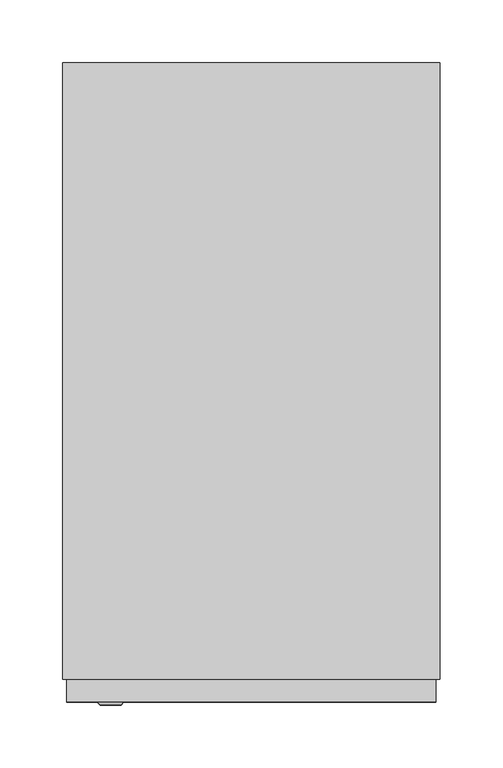
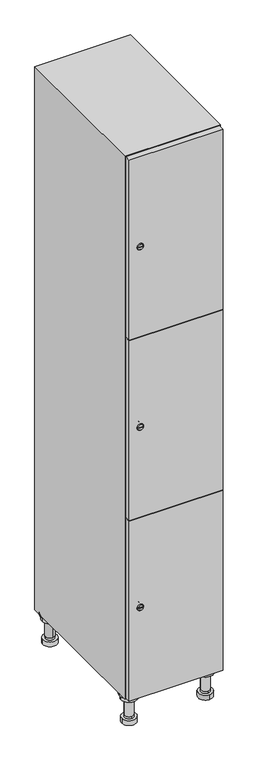
"""IFC4 building model written with IfcOpenShell, lengths in millimetres: furniture geometry."""

from ifc_helpers import new_model, si_unit, point, frame, frame_2d, origin, place, context, project, spatial, polyline, circle_curve, trimmed, segment, composite_curve, outline, extrude, faceted_brep, source, transform, mapped, element, save
from ifc_brep_helpers import plane_surface, cylinder_surface, revolved_surface, advanced_brep


def furniture_b3fa0caa(model_context):
    return source(origin(), model_context, "Body", "SolidModel", [
        advanced_brep(
        [(70.0, -201.0, 22.0), (70.0, -201.5, 16.0), (70.0, -228.5, 16.0), (70.0, -229.0, 22.0), (56.0, -215.0, 22.0), (84.0, -215.0, 22.0), (70.0, -192.5, 16.0), (70.0, -237.5, 16.0), (70.0, -192.5, 0.0), (70.0, -237.5, 0.0), (84.0, -215.0, 78.0), (56.0, -215.0, 78.0), (95.0, -215.0, 78.0), (45.0, -215.0, 78.0), (100.0, -215.0, 94.0), (40.0, -215.0, 94.0), (45.0, -215.0, 94.0), (95.0, -215.0, 94.0), (100.0, -215.0, 100.0), (40.0, -215.0, 100.0)],
        [
            (0, 1),
            (1, 2, circle_curve(frame((70.0, -215.0, 16.0), z_axis=(0.0, 0.0, 1.0), x_axis=(0.0, -1.0, 0.0)), 13.5)),
            (2, 3),
            (3, 4, circle_curve(frame((70.0, -215.0, 22.0), z_axis=(0.0, 0.0, -1.0), x_axis=(0.0, -1.0, 0.0)), 14.0)),
            (4, 0, circle_curve(frame((70.0, -215.0, 22.0), z_axis=(0.0, 0.0, -1.0), x_axis=(0.0, -1.0, 0.0)), 14.0)),
            (0, 5, circle_curve(frame((70.0, -215.0, 22.0), z_axis=(0.0, 0.0, -1.0), x_axis=(0.0, 1.0, 0.0)), 14.0)),
            (5, 3, circle_curve(frame((70.0, -215.0, 22.0), z_axis=(0.0, 0.0, -1.0), x_axis=(0.0, 1.0, 0.0)), 14.0)),
            (2, 1, circle_curve(frame((70.0, -215.0, 16.0), z_axis=(0.0, 0.0, 1.0), x_axis=(0.0, 1.0, 0.0)), 13.5)),
            (6, 7, circle_curve(frame((70.0, -215.0, 16.0), z_axis=(0.0, 0.0, 1.0), x_axis=(0.0, -1.0, 0.0)), 22.5)),
            (7, 6, circle_curve(frame((70.0, -215.0, 16.0), z_axis=(0.0, 0.0, 1.0), x_axis=(0.0, -1.0, 0.0)), 22.5)),
            (8, 9, circle_curve(frame((70.0, -215.0, 0.0), z_axis=(0.0, 0.0, -1.0), x_axis=(0.0, -1.0, 0.0)), 22.5)),
            (9, 8, circle_curve(frame((70.0, -215.0, 0.0), z_axis=(0.0, 0.0, -1.0), x_axis=(0.0, -1.0, 0.0)), 22.5)),
            (6, 8),
            (9, 7),
            (5, 10),
            (10, 11, circle_curve(frame((70.0, -215.0, 78.0), z_axis=(0.0, 0.0, -1.0), x_axis=(-1.0, 0.0, 0.0)), 14.0)),
            (11, 4),
            (11, 10, circle_curve(frame((70.0, -215.0, 78.0), z_axis=(0.0, 0.0, -1.0), x_axis=(-1.0, 0.0, 0.0)), 14.0)),
            (12, 13, circle_curve(frame((70.0, -215.0, 78.0), z_axis=(0.0, 0.0, -1.0), x_axis=(-1.0, 0.0, 0.0)), 25.0)),
            (13, 12, circle_curve(frame((70.0, -215.0, 78.0), z_axis=(0.0, 0.0, -1.0), x_axis=(-1.0, 0.0, 0.0)), 25.0)),
            (14, 15, circle_curve(frame((70.0, -215.0, 94.0), z_axis=(0.0, 0.0, -1.0), x_axis=(-1.0, 0.0, 0.0)), 30.0)),
            (15, 14, circle_curve(frame((70.0, -215.0, 94.0), z_axis=(0.0, 0.0, -1.0), x_axis=(-1.0, 0.0, 0.0)), 30.0)),
            (16, 17, circle_curve(frame((70.0, -215.0, 94.0), z_axis=(0.0, 0.0, 1.0), x_axis=(-1.0, 0.0, 0.0)), 25.0)),
            (17, 16, circle_curve(frame((70.0, -215.0, 94.0), z_axis=(0.0, 0.0, 1.0), x_axis=(-1.0, 0.0, 0.0)), 25.0)),
            (18, 19, circle_curve(frame((70.0, -215.0, 100.0), z_axis=(0.0, 0.0, 1.0), x_axis=(-1.0, 0.0, 0.0)), 30.0)),
            (19, 18, circle_curve(frame((70.0, -215.0, 100.0), z_axis=(0.0, 0.0, 1.0), x_axis=(-1.0, 0.0, 0.0)), 30.0)),
            (14, 18),
            (19, 15),
            (12, 17),
            (16, 13),
        ],
        [
            revolved_surface(polyline([(70.0, -201.5, 16.0), (70.0, -201.0, 22.0)]), (70.0, -215.0, -146.0), (0.0, 0.0, 1.0)),
            plane_surface(frame((70.0, 0.0, 16.0), z_axis=(0.0, 0.0, 1.0), x_axis=(0.0, -1.0, 0.0))),
            plane_surface(frame((70.0, 0.0, 0.0), z_axis=(0.0, 0.0, -1.0), x_axis=(0.0, -1.0, 0.0))),
            cylinder_surface(frame((70.0, -215.0, 16.0), z_axis=(0.0, 0.0, 1.0), x_axis=(0.0, -1.0, 0.0)), 22.5),
            cylinder_surface(frame((70.0, -215.0, 22.0), z_axis=(0.0, 0.0, -1.0), x_axis=(-1.0, 0.0, 0.0)), 14.0),
            plane_surface(frame((70.0, 0.0, 78.0), z_axis=(0.0, 0.0, -1.0), x_axis=(0.0, -1.0, 0.0))),
            plane_surface(frame((70.0, 0.0, 94.0), z_axis=(0.0, 0.0, -1.0), x_axis=(0.0, -1.0, 0.0))),
            plane_surface(frame((70.0, 0.0, 100.0), z_axis=(0.0, 0.0, 1.0), x_axis=(0.0, -1.0, 0.0))),
            cylinder_surface(frame((70.0, -215.0, 94.0), z_axis=(0.0, 0.0, -1.0), x_axis=(-1.0, 0.0, 0.0)), 30.0),
            cylinder_surface(frame((70.0, -215.0, 78.0), z_axis=(0.0, 0.0, -1.0), x_axis=(-1.0, 0.0, 0.0)), 25.0),
        ],
        [
            (0, [[1, 2, 3, 4, 5]]),
            (0, [[-1, 6, 7, -3, 8]]),
            (1, [[9, 10], [-2, -8]]),
            (2, [[11, 12]]),
            (3, [[-9, 13, -12, 14]]),
            (3, [[-10, -14, -11, -13]]),
            (4, [[15, 16, 17, -4, -7]]),
            (4, [[-15, -6, -5, -17, 18]]),
            (5, [[19, 20], [-16, -18]]),
            (6, [[21, 22], [23, 24]]),
            (7, [[25, 26]]),
            (8, [[-21, 27, -26, 28]]),
            (8, [[-22, -28, -25, -27]]),
            (9, [[-19, 29, -23, 30]]),
            (9, [[-20, -30, -24, -29]]),
        ],
    ),
        advanced_brep(
        [(-170.0, -201.0, 22.0), (-170.0, -201.5, 16.0), (-170.0, -228.5, 16.0), (-170.0, -229.0, 22.0), (-184.0, -215.0, 22.0), (-156.0, -215.0, 22.0), (-147.5, -215.0, 0.0), (-192.5, -215.0, 0.0), (-147.5, -215.0, 16.0), (-192.5, -215.0, 16.0), (-156.0, -215.0, 78.0), (-184.0, -215.0, 78.0), (-145.0, -215.0, 78.0), (-195.0, -215.0, 78.0), (-140.0, -215.0, 94.0), (-200.0, -215.0, 94.0), (-195.0, -215.0, 94.0), (-145.0, -215.0, 94.0), (-140.0, -215.0, 100.0), (-200.0, -215.0, 100.0)],
        [
            (0, 1),
            (1, 2, circle_curve(frame((-170.0, -215.0, 16.0), z_axis=(0.0, 0.0, 1.0), x_axis=(0.0, -1.0, 0.0)), 13.5)),
            (2, 3),
            (3, 4, circle_curve(frame((-170.0, -215.0, 22.0), z_axis=(0.0, 0.0, -1.0), x_axis=(0.0, -1.0, 0.0)), 14.0)),
            (4, 0, circle_curve(frame((-170.0, -215.0, 22.0), z_axis=(0.0, 0.0, -1.0), x_axis=(0.0, -1.0, 0.0)), 14.0)),
            (0, 5, circle_curve(frame((-170.0, -215.0, 22.0), z_axis=(0.0, 0.0, -1.0), x_axis=(0.0, 1.0, 0.0)), 14.0)),
            (5, 3, circle_curve(frame((-170.0, -215.0, 22.0), z_axis=(0.0, 0.0, -1.0), x_axis=(0.0, 1.0, 0.0)), 14.0)),
            (2, 1, circle_curve(frame((-170.0, -215.0, 16.0), z_axis=(0.0, 0.0, 1.0), x_axis=(0.0, 1.0, 0.0)), 13.5)),
            (6, 7, circle_curve(frame((-170.0, -215.0, 0.0), z_axis=(0.0, 0.0, -1.0), x_axis=(-1.0, 0.0, 0.0)), 22.5)),
            (7, 6, circle_curve(frame((-170.0, -215.0, 0.0), z_axis=(0.0, 0.0, -1.0), x_axis=(-1.0, 0.0, 0.0)), 22.5)),
            (8, 9, circle_curve(frame((-170.0, -215.0, 16.0), z_axis=(0.0, 0.0, 1.0), x_axis=(-1.0, 0.0, 0.0)), 22.5)),
            (9, 8, circle_curve(frame((-170.0, -215.0, 16.0), z_axis=(0.0, 0.0, 1.0), x_axis=(-1.0, 0.0, 0.0)), 22.5)),
            (6, 8),
            (9, 7),
            (5, 10),
            (10, 11, circle_curve(frame((-170.0, -215.0, 78.0), z_axis=(0.0, 0.0, -1.0), x_axis=(-1.0, 0.0, 0.0)), 14.0)),
            (11, 4),
            (11, 10, circle_curve(frame((-170.0, -215.0, 78.0), z_axis=(0.0, 0.0, -1.0), x_axis=(-1.0, 0.0, 0.0)), 14.0)),
            (12, 13, circle_curve(frame((-170.0, -215.0, 78.0), z_axis=(0.0, 0.0, -1.0), x_axis=(-1.0, 0.0, 0.0)), 25.0)),
            (13, 12, circle_curve(frame((-170.0, -215.0, 78.0), z_axis=(0.0, 0.0, -1.0), x_axis=(-1.0, 0.0, 0.0)), 25.0)),
            (14, 15, circle_curve(frame((-170.0, -215.0, 94.0), z_axis=(0.0, 0.0, -1.0), x_axis=(-1.0, 0.0, 0.0)), 30.0)),
            (15, 14, circle_curve(frame((-170.0, -215.0, 94.0), z_axis=(0.0, 0.0, -1.0), x_axis=(-1.0, 0.0, 0.0)), 30.0)),
            (16, 17, circle_curve(frame((-170.0, -215.0, 94.0), z_axis=(0.0, 0.0, 1.0), x_axis=(-1.0, 0.0, 0.0)), 25.0)),
            (17, 16, circle_curve(frame((-170.0, -215.0, 94.0), z_axis=(0.0, 0.0, 1.0), x_axis=(-1.0, 0.0, 0.0)), 25.0)),
            (18, 19, circle_curve(frame((-170.0, -215.0, 100.0), z_axis=(0.0, 0.0, 1.0), x_axis=(-1.0, 0.0, 0.0)), 30.0)),
            (19, 18, circle_curve(frame((-170.0, -215.0, 100.0), z_axis=(0.0, 0.0, 1.0), x_axis=(-1.0, 0.0, 0.0)), 30.0)),
            (14, 18),
            (19, 15),
            (12, 17),
            (16, 13),
        ],
        [
            revolved_surface(polyline([(-170.0, -201.5, 16.0), (-170.0, -201.0, 22.0)]), (-170.0, -215.0, -146.0), (0.0, 0.0, 1.0)),
            plane_surface(frame((-170.0, 0.0, 0.0), z_axis=(0.0, 0.0, -1.0), x_axis=(0.0, -1.0, 0.0))),
            plane_surface(frame((-170.0, 0.0, 16.0), z_axis=(0.0, 0.0, 1.0), x_axis=(0.0, -1.0, 0.0))),
            cylinder_surface(frame((-170.0, -215.0, 0.0), z_axis=(0.0, 0.0, -1.0), x_axis=(-1.0, 0.0, 0.0)), 22.5),
            cylinder_surface(frame((-170.0, -215.0, 22.0), z_axis=(0.0, 0.0, -1.0), x_axis=(-1.0, 0.0, 0.0)), 14.0),
            plane_surface(frame((-170.0, 0.0, 78.0), z_axis=(0.0, 0.0, -1.0), x_axis=(0.0, -1.0, 0.0))),
            plane_surface(frame((-170.0, 0.0, 94.0), z_axis=(0.0, 0.0, -1.0), x_axis=(0.0, -1.0, 0.0))),
            plane_surface(frame((-170.0, 0.0, 100.0), z_axis=(0.0, 0.0, 1.0), x_axis=(0.0, -1.0, 0.0))),
            cylinder_surface(frame((-170.0, -215.0, 94.0), z_axis=(0.0, 0.0, -1.0), x_axis=(-1.0, 0.0, 0.0)), 30.0),
            cylinder_surface(frame((-170.0, -215.0, 78.0), z_axis=(0.0, 0.0, -1.0), x_axis=(-1.0, 0.0, 0.0)), 25.0),
        ],
        [
            (0, [[1, 2, 3, 4, 5]]),
            (0, [[-1, 6, 7, -3, 8]]),
            (1, [[9, 10]]),
            (2, [[11, 12], [-2, -8]]),
            (3, [[-9, 13, -12, 14]]),
            (3, [[-10, -14, -11, -13]]),
            (4, [[15, 16, 17, -4, -7]]),
            (4, [[-15, -6, -5, -17, 18]]),
            (5, [[19, 20], [-16, -18]]),
            (6, [[21, 22], [23, 24]]),
            (7, [[25, 26]]),
            (8, [[-21, 27, -26, 28]]),
            (8, [[-22, -28, -25, -27]]),
            (9, [[-19, 29, -23, 30]]),
            (9, [[-20, -30, -24, -29]]),
        ],
    ),
        advanced_brep(
        [(83.5, 215.0, 16.0), (84.0, 215.0, 22.0), (56.0, 215.0, 22.0), (56.5, 215.0, 16.0), (92.5, 215.0, 0.0), (47.5, 215.0, 0.0), (92.5, 215.0, 16.0), (47.5, 215.0, 16.0), (84.0, 215.0, 78.0), (56.0, 215.0, 78.0), (95.0, 215.0, 78.0), (45.0, 215.0, 78.0), (100.0, 215.0, 94.0), (40.0, 215.0, 94.0), (45.0, 215.0, 94.0), (95.0, 215.0, 94.0), (100.0, 215.0, 100.0), (40.0, 215.0, 100.0)],
        [
            (0, 1),
            (1, 2, circle_curve(frame((70.0, 215.0, 22.0), z_axis=(0.0, 0.0, -1.0), x_axis=(-1.0, 0.0, 0.0)), 14.0)),
            (2, 3),
            (3, 0, circle_curve(frame((70.0, 215.0, 16.0), z_axis=(0.0, 0.0, 1.0), x_axis=(-1.0, 0.0, 0.0)), 13.5)),
            (0, 3, circle_curve(frame((70.0, 215.0, 16.0), z_axis=(0.0, 0.0, 1.0), x_axis=(1.0, 0.0, 0.0)), 13.5)),
            (2, 1, circle_curve(frame((70.0, 215.0, 22.0), z_axis=(0.0, 0.0, -1.0), x_axis=(1.0, 0.0, 0.0)), 14.0)),
            (4, 5, circle_curve(frame((70.0, 215.0, 0.0), z_axis=(0.0, 0.0, -1.0), x_axis=(-1.0, 0.0, 0.0)), 22.5)),
            (5, 4, circle_curve(frame((70.0, 215.0, 0.0), z_axis=(0.0, 0.0, -1.0), x_axis=(-1.0, 0.0, 0.0)), 22.5)),
            (6, 7, circle_curve(frame((70.0, 215.0, 16.0), z_axis=(0.0, 0.0, 1.0), x_axis=(-1.0, 0.0, 0.0)), 22.5)),
            (7, 6, circle_curve(frame((70.0, 215.0, 16.0), z_axis=(0.0, 0.0, 1.0), x_axis=(-1.0, 0.0, 0.0)), 22.5)),
            (4, 6),
            (7, 5),
            (1, 8),
            (8, 9, circle_curve(frame((70.0, 215.0, 78.0), z_axis=(0.0, 0.0, -1.0), x_axis=(-1.0, 0.0, 0.0)), 14.0)),
            (9, 2),
            (9, 8, circle_curve(frame((70.0, 215.0, 78.0), z_axis=(0.0, 0.0, -1.0), x_axis=(-1.0, 0.0, 0.0)), 14.0)),
            (10, 11, circle_curve(frame((70.0, 215.0, 78.0), z_axis=(0.0, 0.0, -1.0), x_axis=(-1.0, 0.0, 0.0)), 25.0)),
            (11, 10, circle_curve(frame((70.0, 215.0, 78.0), z_axis=(0.0, 0.0, -1.0), x_axis=(-1.0, 0.0, 0.0)), 25.0)),
            (12, 13, circle_curve(frame((70.0, 215.0, 94.0), z_axis=(0.0, 0.0, -1.0), x_axis=(-1.0, 0.0, 0.0)), 30.0)),
            (13, 12, circle_curve(frame((70.0, 215.0, 94.0), z_axis=(0.0, 0.0, -1.0), x_axis=(-1.0, 0.0, 0.0)), 30.0)),
            (14, 15, circle_curve(frame((70.0, 215.0, 94.0), z_axis=(0.0, 0.0, 1.0), x_axis=(-1.0, 0.0, 0.0)), 25.0)),
            (15, 14, circle_curve(frame((70.0, 215.0, 94.0), z_axis=(0.0, 0.0, 1.0), x_axis=(-1.0, 0.0, 0.0)), 25.0)),
            (16, 17, circle_curve(frame((70.0, 215.0, 100.0), z_axis=(0.0, 0.0, 1.0), x_axis=(-1.0, 0.0, 0.0)), 30.0)),
            (17, 16, circle_curve(frame((70.0, 215.0, 100.0), z_axis=(0.0, 0.0, 1.0), x_axis=(-1.0, 0.0, 0.0)), 30.0)),
            (12, 16),
            (17, 13),
            (10, 15),
            (14, 11),
        ],
        [
            revolved_surface(polyline([(83.5, 215.0, 16.0), (84.0, 215.0, 22.0)]), (70.0, 215.0, -146.0), (0.0, 0.0, 1.0)),
            plane_surface(frame((70.0, 0.0, 0.0), z_axis=(0.0, 0.0, -1.0), x_axis=(0.0, -1.0, 0.0))),
            plane_surface(frame((70.0, 0.0, 16.0), z_axis=(0.0, 0.0, 1.0), x_axis=(0.0, -1.0, 0.0))),
            cylinder_surface(frame((70.0, 215.0, 0.0), z_axis=(0.0, 0.0, -1.0), x_axis=(-1.0, 0.0, 0.0)), 22.5),
            cylinder_surface(frame((70.0, 215.0, 22.0), z_axis=(0.0, 0.0, -1.0), x_axis=(-1.0, 0.0, 0.0)), 14.0),
            plane_surface(frame((70.0, 0.0, 78.0), z_axis=(0.0, 0.0, -1.0), x_axis=(0.0, -1.0, 0.0))),
            plane_surface(frame((70.0, 0.0, 94.0), z_axis=(0.0, 0.0, -1.0), x_axis=(0.0, -1.0, 0.0))),
            plane_surface(frame((70.0, 0.0, 100.0), z_axis=(0.0, 0.0, 1.0), x_axis=(0.0, -1.0, 0.0))),
            cylinder_surface(frame((70.0, 215.0, 94.0), z_axis=(0.0, 0.0, -1.0), x_axis=(-1.0, 0.0, 0.0)), 30.0),
            cylinder_surface(frame((70.0, 215.0, 78.0), z_axis=(0.0, 0.0, -1.0), x_axis=(-1.0, 0.0, 0.0)), 25.0),
        ],
        [
            (0, [[1, 2, 3, 4]]),
            (0, [[-1, 5, -3, 6]]),
            (1, [[7, 8]]),
            (2, [[9, 10], [-4, -5]]),
            (3, [[-7, 11, -10, 12]]),
            (3, [[-8, -12, -9, -11]]),
            (4, [[13, 14, 15, -2]]),
            (4, [[-13, -6, -15, 16]]),
            (5, [[17, 18], [-14, -16]]),
            (6, [[19, 20], [21, 22]]),
            (7, [[23, 24]]),
            (8, [[-19, 25, -24, 26]]),
            (8, [[-20, -26, -23, -25]]),
            (9, [[-17, 27, -21, 28]]),
            (9, [[-18, -28, -22, -27]]),
        ],
    ),
        advanced_brep(
        [(-156.5, 215.0, 16.0), (-156.0, 215.0, 22.0), (-170.0, 201.0, 22.0), (-184.0, 215.0, 22.0), (-183.5, 215.0, 16.0), (-170.0, 229.0, 22.0), (-147.5, 215.0, 0.0), (-192.5, 215.0, 0.0), (-147.5, 215.0, 16.0), (-192.5, 215.0, 16.0), (-170.0, 229.0, 78.0), (-170.0, 201.0, 78.0), (-145.0, 215.0, 78.0), (-195.0, 215.0, 78.0), (-140.0, 215.0, 94.0), (-200.0, 215.0, 94.0), (-195.0, 215.0, 94.0), (-145.0, 215.0, 94.0), (-140.0, 215.0, 100.0), (-200.0, 215.0, 100.0)],
        [
            (0, 1),
            (1, 2, circle_curve(frame((-170.0, 215.0, 22.0), z_axis=(0.0, 0.0, -1.0), x_axis=(-1.0, 0.0, 0.0)), 14.0)),
            (2, 3, circle_curve(frame((-170.0, 215.0, 22.0), z_axis=(0.0, 0.0, -1.0), x_axis=(-1.0, 0.0, 0.0)), 14.0)),
            (3, 4),
            (4, 0, circle_curve(frame((-170.0, 215.0, 16.0), z_axis=(0.0, 0.0, 1.0), x_axis=(-1.0, 0.0, 0.0)), 13.5)),
            (0, 4, circle_curve(frame((-170.0, 215.0, 16.0), z_axis=(0.0, 0.0, 1.0), x_axis=(1.0, 0.0, 0.0)), 13.5)),
            (3, 5, circle_curve(frame((-170.0, 215.0, 22.0), z_axis=(0.0, 0.0, -1.0), x_axis=(1.0, 0.0, 0.0)), 14.0)),
            (5, 1, circle_curve(frame((-170.0, 215.0, 22.0), z_axis=(0.0, 0.0, -1.0), x_axis=(1.0, 0.0, 0.0)), 14.0)),
            (6, 7, circle_curve(frame((-170.0, 215.0, 0.0), z_axis=(0.0, 0.0, -1.0), x_axis=(-1.0, 0.0, 0.0)), 22.5)),
            (7, 6, circle_curve(frame((-170.0, 215.0, 0.0), z_axis=(0.0, 0.0, -1.0), x_axis=(-1.0, 0.0, 0.0)), 22.5)),
            (8, 9, circle_curve(frame((-170.0, 215.0, 16.0), z_axis=(0.0, 0.0, 1.0), x_axis=(-1.0, 0.0, 0.0)), 22.5)),
            (9, 8, circle_curve(frame((-170.0, 215.0, 16.0), z_axis=(0.0, 0.0, 1.0), x_axis=(-1.0, 0.0, 0.0)), 22.5)),
            (6, 8),
            (9, 7),
            (10, 5),
            (2, 11),
            (11, 10, circle_curve(frame((-170.0, 215.0, 78.0), z_axis=(0.0, 0.0, -1.0), x_axis=(0.0, -1.0, 0.0)), 14.0)),
            (10, 11, circle_curve(frame((-170.0, 215.0, 78.0), z_axis=(0.0, 0.0, -1.0), x_axis=(0.0, -1.0, 0.0)), 14.0)),
            (12, 13, circle_curve(frame((-170.0, 215.0, 78.0), z_axis=(0.0, 0.0, -1.0), x_axis=(-1.0, 0.0, 0.0)), 25.0)),
            (13, 12, circle_curve(frame((-170.0, 215.0, 78.0), z_axis=(0.0, 0.0, -1.0), x_axis=(-1.0, 0.0, 0.0)), 25.0)),
            (14, 15, circle_curve(frame((-170.0, 215.0, 94.0), z_axis=(0.0, 0.0, -1.0), x_axis=(-1.0, 0.0, 0.0)), 30.0)),
            (15, 14, circle_curve(frame((-170.0, 215.0, 94.0), z_axis=(0.0, 0.0, -1.0), x_axis=(-1.0, 0.0, 0.0)), 30.0)),
            (16, 17, circle_curve(frame((-170.0, 215.0, 94.0), z_axis=(0.0, 0.0, 1.0), x_axis=(-1.0, 0.0, 0.0)), 25.0)),
            (17, 16, circle_curve(frame((-170.0, 215.0, 94.0), z_axis=(0.0, 0.0, 1.0), x_axis=(-1.0, 0.0, 0.0)), 25.0)),
            (18, 19, circle_curve(frame((-170.0, 215.0, 100.0), z_axis=(0.0, 0.0, 1.0), x_axis=(-1.0, 0.0, 0.0)), 30.0)),
            (19, 18, circle_curve(frame((-170.0, 215.0, 100.0), z_axis=(0.0, 0.0, 1.0), x_axis=(-1.0, 0.0, 0.0)), 30.0)),
            (14, 18),
            (19, 15),
            (12, 17),
            (16, 13),
        ],
        [
            revolved_surface(polyline([(-156.5, 215.0, 16.0), (-156.0, 215.0, 22.0)]), (-170.0, 215.0, -146.0), (0.0, 0.0, 1.0)),
            plane_surface(frame((-170.0, 0.0, 0.0), z_axis=(0.0, 0.0, -1.0), x_axis=(0.0, -1.0, 0.0))),
            plane_surface(frame((-170.0, 0.0, 16.0), z_axis=(0.0, 0.0, 1.0), x_axis=(0.0, -1.0, 0.0))),
            cylinder_surface(frame((-170.0, 215.0, 0.0), z_axis=(0.0, 0.0, -1.0), x_axis=(-1.0, 0.0, 0.0)), 22.5),
            cylinder_surface(frame((-170.0, 215.0, 78.0), z_axis=(0.0, 0.0, 1.0), x_axis=(0.0, -1.0, 0.0)), 14.0),
            plane_surface(frame((-170.0, 0.0, 78.0), z_axis=(0.0, 0.0, -1.0), x_axis=(0.0, -1.0, 0.0))),
            plane_surface(frame((-170.0, 0.0, 94.0), z_axis=(0.0, 0.0, -1.0), x_axis=(0.0, -1.0, 0.0))),
            plane_surface(frame((-170.0, 0.0, 100.0), z_axis=(0.0, 0.0, 1.0), x_axis=(0.0, -1.0, 0.0))),
            cylinder_surface(frame((-170.0, 215.0, 94.0), z_axis=(0.0, 0.0, -1.0), x_axis=(-1.0, 0.0, 0.0)), 30.0),
            cylinder_surface(frame((-170.0, 215.0, 78.0), z_axis=(0.0, 0.0, -1.0), x_axis=(-1.0, 0.0, 0.0)), 25.0),
        ],
        [
            (0, [[1, 2, 3, 4, 5]]),
            (0, [[-1, 6, -4, 7, 8]]),
            (1, [[9, 10]]),
            (2, [[11, 12], [-5, -6]]),
            (3, [[-9, 13, -12, 14]]),
            (3, [[-10, -14, -11, -13]]),
            (4, [[15, -7, -3, 16, 17]]),
            (4, [[-15, 18, -16, -2, -8]]),
            (5, [[19, 20], [-17, -18]]),
            (6, [[21, 22], [23, 24]]),
            (7, [[25, 26]]),
            (8, [[-21, 27, -26, 28]]),
            (8, [[-22, -28, -25, -27]]),
            (9, [[-19, 29, -23, 30]]),
            (9, [[-20, -30, -24, -29]]),
        ],
    ),
        extrude(outline(composite_curve([segment(trimmed(circle_curve(frame_2d((402.0, -188.7989466)), 7.0), [point((409.0, -188.7989466))], [point((395.0, -188.7989466))], False, "CARTESIAN"), True, "CONTINUOUS"), segment(polyline([(395.0, -188.7989466), (395.0, -160.7989466)]), True, "CONTINUOUS"), segment(trimmed(circle_curve(frame_2d((402.0, -160.7989466)), 7.0), [point((395.0, -160.7989466))], [point((409.0, -160.7989466))], False, "CARTESIAN"), True, "CONTINUOUS"), segment(polyline([(409.0, -160.7989466), (409.0, -188.7989466)]), True, "CONTINUOUS")], self_intersect=False)), frame((0.0, -245.0, 0.0), z_axis=(0.0, 1.0, 0.0), x_axis=(0.0, 0.0, 1.0)), (0.0, 0.0, 1.0), 2.0),
        advanced_brep(
        [(-153.5, -265.2, 402.0), (-170.5, -265.2, 402.0), (-167.0, -265.2, 400.75), (-167.0, -265.2, 403.25), (-157.0, -265.2, 403.25), (-157.0, -265.2, 400.75), (-151.5, -263.0, 402.0), (-172.5, -263.0, 402.0), (-167.0, -263.0, 403.25), (-167.0, -263.0, 400.75), (-157.0, -263.0, 400.75), (-157.0, -263.0, 403.25)],
        [
            (0, 1, circle_curve(frame((-162.0, -265.2, 402.0), z_axis=(0.0, -1.0, 0.0), x_axis=(1.0, 0.0, 0.0)), 8.5)),
            (1, 0, circle_curve(frame((-162.0, -265.2, 402.0), z_axis=(0.0, -1.0, 0.0), x_axis=(-1.0, 0.0, 0.0)), 8.5)),
            (2, 3),
            (3, 4),
            (4, 5),
            (5, 2),
            (6, 7, circle_curve(frame((-162.0, -263.0, 402.0), z_axis=(0.0, 1.0, 0.0), x_axis=(-1.0, 0.0, 0.0)), 10.5)),
            (7, 6, circle_curve(frame((-162.0, -263.0, 402.0), z_axis=(0.0, 1.0, 0.0), x_axis=(1.0, 0.0, 0.0)), 10.5)),
            (8, 9),
            (9, 10),
            (10, 11),
            (11, 8),
            (0, 6),
            (7, 1),
            (8, 3),
            (2, 9),
            (11, 4),
            (10, 5),
        ],
        [
            plane_surface(frame((-162.0, -265.2, 402.0), z_axis=(0.0, -1.0, 0.0), x_axis=(0.0, 0.0, 1.0))),
            plane_surface(frame((-162.0, -263.0, 402.0), z_axis=(0.0, 1.0, 0.0), x_axis=(0.0, 0.0, 1.0))),
            revolved_surface(polyline([(-153.5, -265.2, 402.0), (-151.5, -263.0, 402.0)]), (-162.0, -274.55, 402.0), (0.0, 1.0, 0.0)),
            revolved_surface(polyline([(-170.5, -265.2, 402.0), (-172.5, -263.0, 402.0)]), (-162.0, -274.55, 402.0), (0.0, 1.0, 0.0)),
            plane_surface(frame((-167.0, -263.0, 400.75), z_axis=(1.0, 0.0, 0.0), x_axis=(0.0, -1.0, 0.0))),
            plane_surface(frame((-167.0, -263.0, 403.25), z_axis=(0.0, 0.0, -1.0), x_axis=(0.0, -1.0, 0.0))),
            plane_surface(frame((-157.0, -263.0, 403.25), z_axis=(-1.0, 0.0, 0.0), x_axis=(0.0, -1.0, 0.0))),
            plane_surface(frame((-157.0, -263.0, 400.75), z_axis=(0.0, 0.0, 1.0), x_axis=(0.0, -1.0, 0.0))),
        ],
        [
            (0, [[1, 2], [3, 4, 5, 6]]),
            (1, [[7, 8], [9, 10, 11, 12]]),
            (2, [[-1, 13, -8, 14]]),
            (3, [[-2, -14, -7, -13]]),
            (4, [[15, -3, 16, -9]]),
            (5, [[-15, -12, 17, -4]]),
            (6, [[-17, -11, 18, -5]]),
            (7, [[-16, -6, -18, -10]]),
        ],
    ),
        extrude(outline(composite_curve([segment(trimmed(circle_curve(frame_2d((1000.0, -188.7989466)), 7.0), [point((1007.0, -188.7989466))], [point((993.0, -188.7989466))], False, "CARTESIAN"), True, "CONTINUOUS"), segment(polyline([(993.0, -188.7989466), (993.0, -160.7989466)]), True, "CONTINUOUS"), segment(trimmed(circle_curve(frame_2d((1000.0, -160.7989466)), 7.0), [point((993.0, -160.7989466))], [point((1007.0, -160.7989466))], False, "CARTESIAN"), True, "CONTINUOUS"), segment(polyline([(1007.0, -160.7989466), (1007.0, -188.7989466)]), True, "CONTINUOUS")], self_intersect=False)), frame((0.0, -245.0, 0.0), z_axis=(0.0, 1.0, 0.0), x_axis=(0.0, 0.0, 1.0)), (0.0, 0.0, 1.0), 2.0),
        advanced_brep(
        [(-153.5, -265.2, 1000.0), (-170.5, -265.2, 1000.0), (-167.0, -265.2, 998.75), (-167.0, -265.2, 1001.25), (-157.0, -265.2, 1001.25), (-157.0, -265.2, 998.75), (-151.5, -263.0, 1000.0), (-172.5, -263.0, 1000.0), (-167.0, -263.0, 1001.25), (-167.0, -263.0, 998.75), (-157.0, -263.0, 998.75), (-157.0, -263.0, 1001.25)],
        [
            (0, 1, circle_curve(frame((-162.0, -265.2, 1000.0), z_axis=(0.0, -1.0, 0.0), x_axis=(1.0, 0.0, 0.0)), 8.5)),
            (1, 0, circle_curve(frame((-162.0, -265.2, 1000.0), z_axis=(0.0, -1.0, 0.0), x_axis=(-1.0, 0.0, 0.0)), 8.5)),
            (2, 3),
            (3, 4),
            (4, 5),
            (5, 2),
            (6, 7, circle_curve(frame((-162.0, -263.0, 1000.0), z_axis=(0.0, 1.0, 0.0), x_axis=(-1.0, 0.0, 0.0)), 10.5)),
            (7, 6, circle_curve(frame((-162.0, -263.0, 1000.0), z_axis=(0.0, 1.0, 0.0), x_axis=(1.0, 0.0, 0.0)), 10.5)),
            (8, 9),
            (9, 10),
            (10, 11),
            (11, 8),
            (0, 6),
            (7, 1),
            (8, 3),
            (2, 9),
            (11, 4),
            (10, 5),
        ],
        [
            plane_surface(frame((-162.0, -265.2, 1000.0), z_axis=(0.0, -1.0, 0.0), x_axis=(0.0, 0.0, 1.0))),
            plane_surface(frame((-162.0, -263.0, 1000.0), z_axis=(0.0, 1.0, 0.0), x_axis=(0.0, 0.0, 1.0))),
            revolved_surface(polyline([(-153.5, -265.2, 1000.0), (-151.5, -263.0, 1000.0)]), (-162.0, -274.55, 1000.0), (0.0, 1.0, 0.0)),
            revolved_surface(polyline([(-170.5, -265.2, 1000.0), (-172.5, -263.0, 1000.0)]), (-162.0, -274.55, 1000.0), (0.0, 1.0, 0.0)),
            plane_surface(frame((-167.0, -263.0, 998.75), z_axis=(1.0, 0.0, 0.0), x_axis=(0.0, -1.0, 0.0))),
            plane_surface(frame((-167.0, -263.0, 1001.25), z_axis=(0.0, 0.0, -1.0), x_axis=(0.0, -1.0, 0.0))),
            plane_surface(frame((-157.0, -263.0, 1001.25), z_axis=(-1.0, 0.0, 0.0), x_axis=(0.0, -1.0, 0.0))),
            plane_surface(frame((-157.0, -263.0, 998.75), z_axis=(0.0, 0.0, 1.0), x_axis=(0.0, -1.0, 0.0))),
        ],
        [
            (0, [[1, 2], [3, 4, 5, 6]]),
            (1, [[7, 8], [9, 10, 11, 12]]),
            (2, [[-1, 13, -8, 14]]),
            (3, [[-2, -14, -7, -13]]),
            (4, [[15, -3, 16, -9]]),
            (5, [[-15, -12, 17, -4]]),
            (6, [[-17, -11, 18, -5]]),
            (7, [[-16, -6, -18, -10]]),
        ],
    ),
        extrude(outline(composite_curve([segment(trimmed(circle_curve(frame_2d((1598.0, -188.7989466)), 7.0), [point((1605.0, -188.7989466))], [point((1591.0, -188.7989466))], False, "CARTESIAN"), True, "CONTINUOUS"), segment(polyline([(1591.0, -188.7989466), (1591.0, -160.7989466)]), True, "CONTINUOUS"), segment(trimmed(circle_curve(frame_2d((1598.0, -160.7989466)), 7.0), [point((1591.0, -160.7989466))], [point((1605.0, -160.7989466))], False, "CARTESIAN"), True, "CONTINUOUS"), segment(polyline([(1605.0, -160.7989466), (1605.0, -188.7989466)]), True, "CONTINUOUS")], self_intersect=False)), frame((0.0, -245.0, 0.0), z_axis=(0.0, 1.0, 0.0), x_axis=(0.0, 0.0, 1.0)), (0.0, 0.0, 1.0), 2.0),
        advanced_brep(
        [(-153.5, -265.2, 1598.0), (-170.5, -265.2, 1598.0), (-167.0, -265.2, 1596.75), (-167.0, -265.2, 1599.25), (-157.0, -265.2, 1599.25), (-157.0, -265.2, 1596.75), (-151.5, -263.0, 1598.0), (-172.5, -263.0, 1598.0), (-167.0, -263.0, 1599.25), (-167.0, -263.0, 1596.75), (-157.0, -263.0, 1596.75), (-157.0, -263.0, 1599.25)],
        [
            (0, 1, circle_curve(frame((-162.0, -265.2, 1598.0), z_axis=(0.0, -1.0, 0.0), x_axis=(1.0, 0.0, 0.0)), 8.5)),
            (1, 0, circle_curve(frame((-162.0, -265.2, 1598.0), z_axis=(0.0, -1.0, 0.0), x_axis=(-1.0, 0.0, 0.0)), 8.5)),
            (2, 3),
            (3, 4),
            (4, 5),
            (5, 2),
            (6, 7, circle_curve(frame((-162.0, -263.0, 1598.0), z_axis=(0.0, 1.0, 0.0), x_axis=(-1.0, 0.0, 0.0)), 10.5)),
            (7, 6, circle_curve(frame((-162.0, -263.0, 1598.0), z_axis=(0.0, 1.0, 0.0), x_axis=(1.0, 0.0, 0.0)), 10.5)),
            (8, 9),
            (9, 10),
            (10, 11),
            (11, 8),
            (0, 6),
            (7, 1),
            (8, 3),
            (2, 9),
            (11, 4),
            (10, 5),
        ],
        [
            plane_surface(frame((-162.0, -265.2, 1598.0), z_axis=(0.0, -1.0, 0.0), x_axis=(0.0, 0.0, 1.0))),
            plane_surface(frame((-162.0, -263.0, 1598.0), z_axis=(0.0, 1.0, 0.0), x_axis=(0.0, 0.0, 1.0))),
            revolved_surface(polyline([(-153.5, -265.2, 1598.0), (-151.5, -263.0, 1598.0)]), (-162.0, -274.55, 1598.0), (0.0, 1.0, 0.0)),
            revolved_surface(polyline([(-170.5, -265.2, 1598.0), (-172.5, -263.0, 1598.0)]), (-162.0, -274.55, 1598.0), (0.0, 1.0, 0.0)),
            plane_surface(frame((-167.0, -263.0, 1596.75), z_axis=(1.0, 0.0, 0.0), x_axis=(0.0, -1.0, 0.0))),
            plane_surface(frame((-167.0, -263.0, 1599.25), z_axis=(0.0, 0.0, -1.0), x_axis=(0.0, -1.0, 0.0))),
            plane_surface(frame((-157.0, -263.0, 1599.25), z_axis=(-1.0, 0.0, 0.0), x_axis=(0.0, -1.0, 0.0))),
            plane_surface(frame((-157.0, -263.0, 1596.75), z_axis=(0.0, 0.0, 1.0), x_axis=(0.0, -1.0, 0.0))),
        ],
        [
            (0, [[1, 2], [3, 4, 5, 6]]),
            (1, [[7, 8], [9, 10, 11, 12]]),
            (2, [[-1, 13, -8, 14]]),
            (3, [[-2, -14, -7, -13]]),
            (4, [[15, -3, 16, -9]]),
            (5, [[-15, -12, 17, -4]]),
            (6, [[-17, -11, 18, -5]]),
            (7, [[-16, -6, -18, -10]]),
        ],
    ),
        extrude(outline(polyline([(97.0, -245.0), (97.0, -263.0), (-197.0, -263.0), (-197.0, -245.0), (97.0, -245.0)])), frame((0.0, 0.0, 701.5), z_axis=(0.0, 0.0, 1.0), x_axis=(1.0, 0.0, 0.0)), (0.0, 0.0, 1.0), 597.0),
        extrude(outline(polyline([(-197.0, -263.0), (-197.0, -245.0), (97.0, -245.0), (97.0, -263.0), (-197.0, -263.0)])), frame((0.0, 0.0, 1299.5), z_axis=(0.0, 0.0, 1.0), x_axis=(1.0, 0.0, 0.0)), (0.0, 0.0, 1.0), 597.5),
        extrude(outline(polyline([(97.0, -245.0), (97.0, -263.0), (-197.0, -263.0), (-197.0, -245.0), (97.0, -245.0)])), frame((0.0, 0.0, 103.0), z_axis=(0.0, 0.0, 1.0), x_axis=(1.0, 0.0, 0.0)), (0.0, 0.0, 1.0), 597.5),
        extrude(outline(polyline([(82.0, 227.0), (82.0, -227.0), (-182.0, -227.0), (-182.0, 227.0), (82.0, 227.0)])), frame((0.0, 0.0, 1285.0), z_axis=(0.0, 0.0, 1.0), x_axis=(1.0, 0.0, 0.0)), (0.0, 0.0, 1.0), 18.0),
        extrude(outline(polyline([(-182.0, 227.0), (82.0, 227.0), (82.0, -227.0), (-182.0, -227.0), (-182.0, 227.0)])), frame((0.0, 0.0, 697.0), z_axis=(0.0, 0.0, 1.0), x_axis=(1.0, 0.0, 0.0)), (0.0, 0.0, 1.0), 18.0),
        faceted_brep([(100.0, -245.0, 100.0), (100.0, -245.0, 1900.0), (-200.0, -245.0, 1900.0), (-200.0, -245.0, 100.0), (82.0, -245.0, 1882.0), (82.0, -245.0, 118.0), (-182.0, -245.0, 118.0), (-182.0, -245.0, 1882.0), (100.0, 245.0, 100.0), (-200.0, 245.0, 100.0), (100.0, 245.0, 1900.0), (-200.0, 245.0, 1900.0), (82.0, 227.0, 1882.0), (82.0, 227.0, 118.0), (-200.0, 245.0, 1882.0), (-182.0, 227.0, 1882.0), (-182.0, 227.0, 118.0)], [[[0, 1, 2, 3], [4, 5, 6, 7]], [[8, 0, 3, 9]], [[1, 0, 8, 10]], [[1, 10, 11, 2]], [[4, 12, 13, 5]], [[9, 3, 2, 11, 14]], [[10, 8, 9, 14, 11]], [[12, 15, 16, 13]], [[15, 7, 6, 16]], [[4, 7, 15, 12]], [[6, 5, 13, 16]]]),
    ])


if __name__ == "__main__":
    model = new_model("IFC4")
    model_context = context("Model", 3, world=origin())
    ifc_project = project(units=[si_unit("LENGTHUNIT", "METRE", prefix="MILLI")], contexts=[model_context])
    site = spatial("IfcSite", under=ifc_project)
    building = spatial("IfcBuilding", under=site)
    placement = place(None, origin())
    furniture_shape = furniture_b3fa0caa(model_context)
    element("IfcFurniture", 1, at=placement, inside=building, context=model_context, shape_type="MappedRepresentation", body=[
        mapped(furniture_shape, transform((0.0, 0.0, 0.0), x_axis=(1.0, 0.0, 0.0), y_axis=(0.0, 1.0, 0.0), z_axis=(0.0, 0.0, 1.0))),
    ])
    save(model, "model.ifc")
